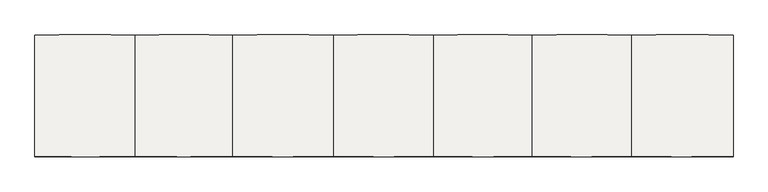
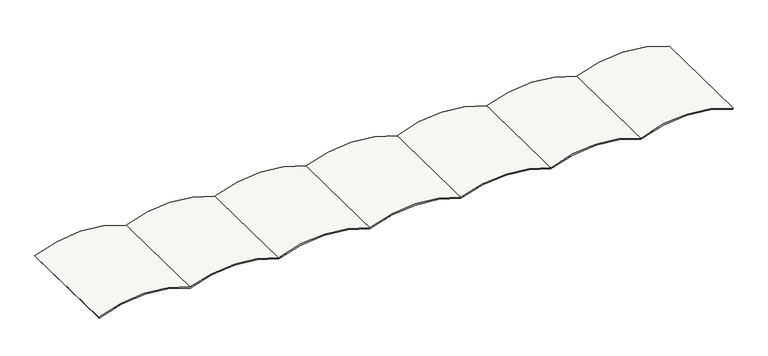
"""IFC4 building model written with IfcOpenShell, lengths in millimetres: roof geometry."""

from ifc_helpers import new_model, si_unit, point, frame, frame_2d, origin, place, context, project, spatial, polyline, circle_curve, trimmed, segment, composite_curve, outline, extrude, source, transform, mapped, element, save


def roof_a97a65b1(model_context):
    return source(origin(), model_context, "Body", "SweptSolid", [
        extrude(outline(composite_curve([segment(trimmed(circle_curve(frame_2d((81.1696199, 5653.9806581)), 3158.3037366), [point((2988.7894422, 4420.8426035))], [point((2983.3590137, 6899.8455044))], True, "CARTESIAN"), True, "CONTINUOUS"), segment(polyline([(2983.3590137, 6899.8455044), (3011.112625, 6911.2454289)]), True, "CONTINUOUS"), segment(trimmed(circle_curve(frame_2d((81.1696199, 5653.9806581)), 3188.3037366), [point((3011.112625, 6911.2454289))], [point((3021.2175056, 4420.5305591))], False, "CARTESIAN"), True, "CONTINUOUS"), segment(trimmed(circle_curve(frame_2d((0.0, 3220.73349)), 3250.73349), [point((3021.2175056, 4420.5305591))], [point((3014.0187116, 2002.9652734))], False, "CARTESIAN"), True, "CONTINUOUS"), segment(trimmed(circle_curve(frame_2d((10.0, 760.73349)), 3250.73349), [point((3014.0187116, 2002.9652734))], [point((3008.7069252, -494.2665099))], False, "CARTESIAN"), True, "CONTINUOUS"), segment(trimmed(circle_curve(frame_2d((10.0, -1749.26651)), 3250.73349), [point((3008.7069252, -494.2665099))], [point((3019.047727, -2979.2665099))], False, "CARTESIAN"), True, "CONTINUOUS"), segment(trimmed(circle_curve(frame_2d((10.0, -4209.2665099)), 3250.73349), [point((3019.047727, -2979.2665099))], [point((3023.0718502, -5429.3756233))], False, "CARTESIAN"), True, "CONTINUOUS"), segment(trimmed(circle_curve(frame_2d((10.0, -6649.4847367)), 3250.73349), [point((3023.0718502, -5429.3756233))], [point((3014.9406356, -7889.4847367))], False, "CARTESIAN"), True, "CONTINUOUS"), segment(trimmed(circle_curve(frame_2d((10.0000001, -9129.4847367)), 3250.73349), [point((3014.9406356, -7889.4847367))], [point((2995.6059287, -10415.3406625))], False, "CARTESIAN"), True, "CONTINUOUS"), segment(polyline([(2995.6059287, -10415.3406625), (2969.4448778, -10400.2365728)]), True, "CONTINUOUS"), segment(trimmed(circle_curve(frame_2d((10.0000001, -9129.4847367)), 3220.73349), [point((2969.4448778, -10400.2365728))], [point((2982.4609692, -7889.4847367))], True, "CARTESIAN"), True, "CONTINUOUS"), segment(trimmed(circle_curve(frame_2d((10.0, -6649.4847367)), 3220.73349), [point((2982.4609692, -7889.4847367))], [point((2990.6807889, -5429.3756233))], True, "CARTESIAN"), True, "CONTINUOUS"), segment(trimmed(circle_curve(frame_2d((10.0, -4209.2665099)), 3220.73349), [point((2990.6807889, -5429.3756233))], [point((2986.6128761, -2979.26651))], True, "CARTESIAN"), True, "CONTINUOUS"), segment(trimmed(circle_curve(frame_2d((10.0, -1749.26651)), 3220.73349), [point((2986.6128761, -2979.26651))], [point((2976.159, -494.26651))], True, "CARTESIAN"), True, "CONTINUOUS"), segment(trimmed(circle_curve(frame_2d((10.0, 760.73349)), 3220.73349), [point((2976.159, -494.26651))], [point((2981.5840834, 2002.8334253))], True, "CARTESIAN"), True, "CONTINUOUS"), segment(trimmed(circle_curve(frame_2d((0.0, 3220.73349)), 3220.73349), [point((2981.5840834, 2002.8334253))], [point((2988.7894422, 4420.8426035))], True, "CARTESIAN"), True, "CONTINUOUS")], self_intersect=False)), frame((-66480.0730154, 99719.8328888, -3202.9690703), z_axis=(2.1414864160849727e-06, -0.999876201622792, 0.015734720327734226), x_axis=(0.0002721819994950426, 0.015734720327734226, 0.9998761645789779)), (0.0, 0.0, 1.0), 3023.5014616),
    ])


if __name__ == "__main__":
    model = new_model("IFC4")
    model_context = context("Model", 3, world=origin())
    ifc_project = project(units=[si_unit("LENGTHUNIT", "METRE", prefix="MILLI")], contexts=[model_context])
    site = spatial("IfcSite", under=ifc_project)
    building = spatial("IfcBuilding", under=site)
    placement = place(None, origin())
    roof_shape = roof_a97a65b1(model_context)
    element("IfcRoof", 1, at=placement, inside=building, context=model_context, shape_type="MappedRepresentation", body=[
        mapped(roof_shape, transform((0.0, 0.0, 0.0), x_axis=(1.0, 0.0, 0.0), y_axis=(0.0, 1.0, 0.0), z_axis=(0.0, 0.0, 1.0))),
    ])
    save(model, "model.ifc")
